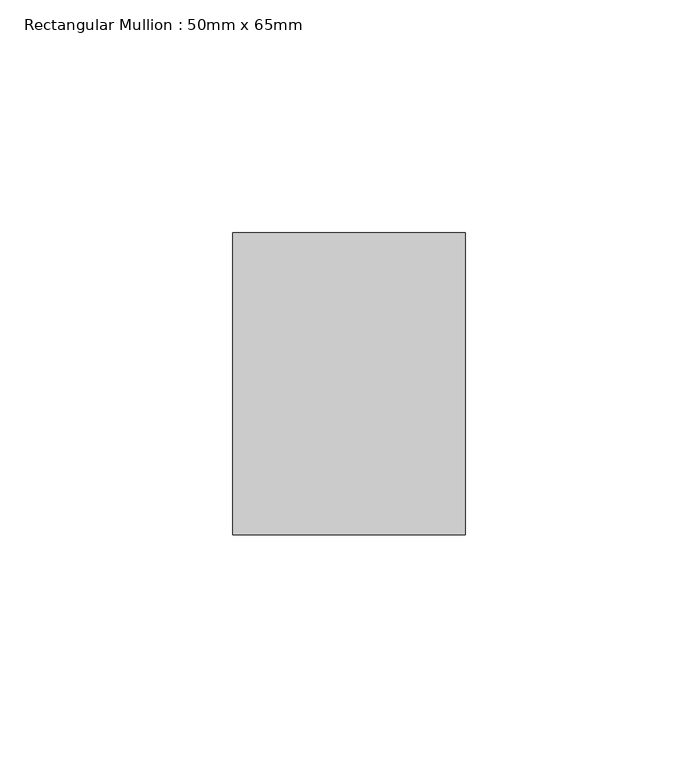
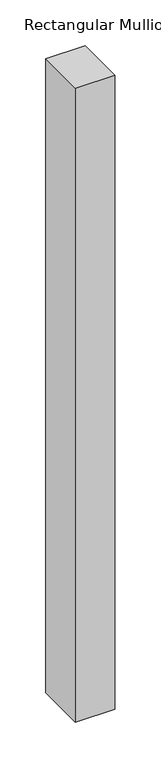
"""IFC4 building model written with IfcOpenShell, lengths in millimetres: member geometry, Rectangular Mullion : 50mm x 65mm."""

from ifc_helpers import new_model, si_unit, frame, origin, place, context, project, spatial, polyline, outline, extrude, source, transform, mapped, element, save


def rectangular_mullion_50mm_x_65mm_7f0b77c2(model_context):
    return source(origin(), model_context, "Body", "SweptSolid", [
        extrude(outline(polyline([(25.0, 32.5), (25.0, -32.5), (-25.0, -32.5), (-25.0, 32.5), (25.0, 32.5)])), frame((0.0, 0.0, -846.7248712), z_axis=(0.0, 0.0, 1.0), x_axis=(1.0, 0.0, 0.0)), (0.0, 0.0, 1.0), 846.7248712),
    ])


if __name__ == "__main__":
    model = new_model("IFC4")
    model_context = context("Model", 3, world=origin())
    ifc_project = project(units=[si_unit("LENGTHUNIT", "METRE", prefix="MILLI")], contexts=[model_context])
    site = spatial("IfcSite", under=ifc_project)
    building = spatial("IfcBuilding", under=site)
    placement = place(None, origin())
    rectangular_mullion_50mm_x_65mm_shape = rectangular_mullion_50mm_x_65mm_7f0b77c2(model_context)
    element("IfcMember", 1, ObjectType="Rectangular Mullion : 50mm x 65mm", at=placement, inside=building, context=model_context, shape_type="MappedRepresentation", body=[
        mapped(rectangular_mullion_50mm_x_65mm_shape, transform((0.0, 0.0, 0.0), x_axis=(1.0, 0.0, 0.0), y_axis=(0.0, 1.0, 0.0), z_axis=(0.0, 0.0, 1.0))),
    ])
    save(model, "model.ifc")
